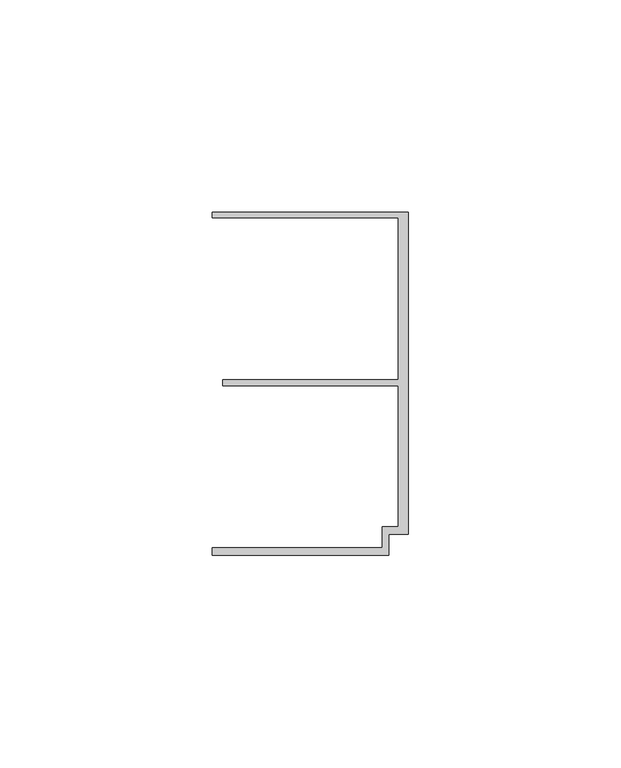
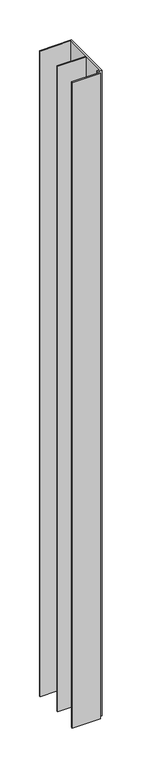
"""IFC4 building model written with IfcOpenShell, lengths in millimetres: member geometry."""

from ifc_helpers import new_model, si_unit, frame, origin, place, context, project, spatial, polyline, outline, extrude, source, transform, mapped, element, save


def member_20cbfa4b(model_context):
    return source(origin(), model_context, "Body", "SweptSolid", [
        extrude(outline(polyline([(-6.2, -33.95), (-2.4, -33.95), (-2.4, -0.75), (-43.8, -0.75), (-43.8, 0.75), (-2.4, 0.75), (-2.4, 38.95), (-46.3, 38.95), (-46.3, 40.25), (0.0, 40.25), (0.0, -35.75), (-4.6999992, -35.75), (-4.6999992, -40.65), (-46.3, -40.65), (-46.3, -38.95), (-6.2, -38.95), (-6.2, -33.95)])), frame((0.0, 0.0, -987.4001021), z_axis=(0.0, 0.0, 1.0), x_axis=(1.0, 0.0, 0.0)), (0.0, 0.0, 1.0), 987.4001021),
    ])


if __name__ == "__main__":
    model = new_model("IFC4")
    model_context = context("Model", 3, world=origin())
    ifc_project = project(units=[si_unit("LENGTHUNIT", "METRE", prefix="MILLI")], contexts=[model_context])
    site = spatial("IfcSite", under=ifc_project)
    building = spatial("IfcBuilding", under=site)
    placement = place(None, origin())
    member_shape = member_20cbfa4b(model_context)
    element("IfcMember", 1, at=placement, inside=building, context=model_context, shape_type="MappedRepresentation", body=[
        mapped(member_shape, transform((0.0, 0.0, 0.0), x_axis=(1.0, 0.0, 0.0), y_axis=(0.0, 1.0, 0.0), z_axis=(0.0, 0.0, 1.0))),
    ])
    save(model, "model.ifc")
